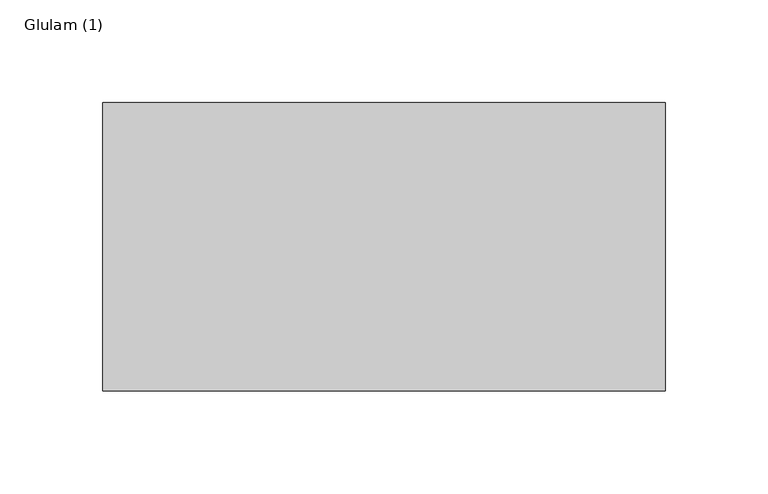
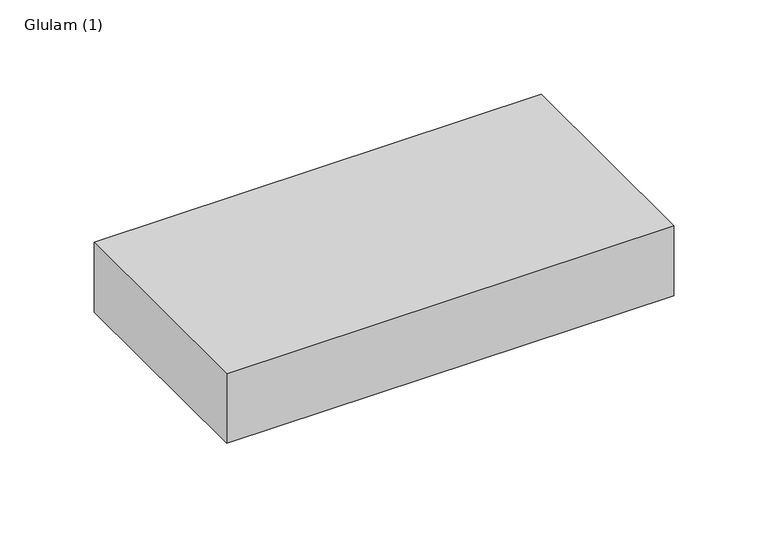
"""IFC4 building model written with IfcOpenShell, lengths in millimetres: beam geometry, Glulam (1)."""

from ifc_helpers import new_model, si_unit, frame, origin, place, context, project, spatial, polyline, outline, extrude, source, transform, mapped, element, save


def glulam_1_9629ffc9(model_context):
    return source(origin(), model_context, "Body", "SweptSolid", [
        extrude(outline(polyline([(158.0, 70.0), (158.0, -70.0), (-115.0, -70.0), (-115.0, 70.0), (158.0, 70.0)])), frame((0.0, 0.0, -22.5), z_axis=(0.0, 0.0, 1.0), x_axis=(1.0, 0.0, 0.0)), (0.0, 0.0, 1.0), 45.0),
    ])


if __name__ == "__main__":
    model = new_model("IFC4")
    model_context = context("Model", 3, world=origin())
    ifc_project = project(units=[si_unit("LENGTHUNIT", "METRE", prefix="MILLI")], contexts=[model_context])
    site = spatial("IfcSite", under=ifc_project)
    building = spatial("IfcBuilding", under=site)
    placement = place(None, origin())
    glulam_1_shape = glulam_1_9629ffc9(model_context)
    element("IfcBeam", 1, ObjectType="Glulam (1)", at=placement, inside=building, context=model_context, shape_type="MappedRepresentation", body=[
        mapped(glulam_1_shape, transform((0.0, 0.0, 0.0), x_axis=(1.0, 0.0, 0.0), y_axis=(0.0, 1.0, 0.0), z_axis=(0.0, 0.0, 1.0))),
    ])
    save(model, "model.ifc")
